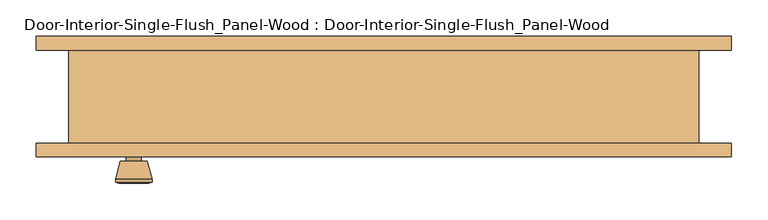
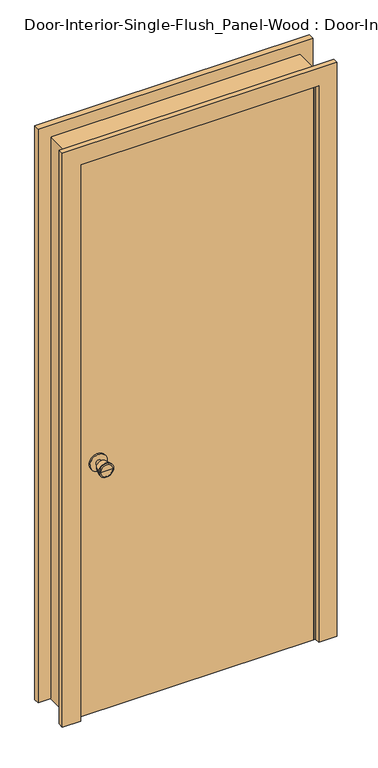
"""IFC4 building model written with IfcOpenShell, lengths in millimetres: door geometry, Door-Interior-Single-Flush_Panel-Wood : Door-Interior-Single-Flush_Panel-Wood."""

from ifc_helpers import new_model, si_unit, point, frame, frame_2d, origin, origin_with_axes, place, context, project, spatial, polyline, circle_curve, trimmed, segment, composite_curve, outline, extrude, faceted_brep, source, transform, mapped, element, save
from ifc_brep_helpers import plane_surface, cylinder_surface, revolved_surface, advanced_brep


def door_interior_single_flush_panel_wood_door_interior_single_79ccc5a2(model_context):
    return source(origin(), model_context, "Body", "SolidModel", [
        advanced_brep(
        [(-342.9, -19.4, 914.4), (-352.9, -19.4, 914.4), (-332.9, -19.4, 914.4), (-322.4241324, 29.6, 914.4), (-363.3758676, 29.6, 914.4), (-342.9, 29.6, 914.4), (-317.9, 27.7721319, 914.4), (-367.9, 27.7721319, 914.4), (-317.9, 24.3084537, 914.4), (-367.9, 24.3084537, 914.4), (-324.263764, -0.4, 914.4), (-361.536236, -0.4, 914.4), (-332.9, -0.4, 914.4), (-352.9, -0.4, 914.4)],
        [
            (0, 1),
            (1, 2, circle_curve(frame((-342.9, -19.4, 914.4), z_axis=(0.0, -1.0, 0.0), x_axis=(-1.0, 0.0, 0.0)), 10.0)),
            (2, 0),
            (2, 1, circle_curve(frame((-342.9, -19.4, 914.4), z_axis=(0.0, -1.0, 0.0), x_axis=(-1.0, 0.0, 0.0)), 10.0)),
            (3, 4, circle_curve(frame((-342.9, 29.6, 914.4), z_axis=(0.0, 1.0, 0.0), x_axis=(-1.0, 0.0, 0.0)), 20.4758676)),
            (4, 5),
            (5, 3),
            (4, 3, circle_curve(frame((-342.9, 29.6, 914.4), z_axis=(0.0, 1.0, 0.0), x_axis=(-1.0, 0.0, 0.0)), 20.4758676)),
            (6, 7, circle_curve(frame((-342.9, 27.7721319, 914.4), z_axis=(0.0, 1.0, 0.0), x_axis=(-1.0, 0.0, 0.0)), 25.0)),
            (7, 4),
            (3, 6),
            (7, 6, circle_curve(frame((-342.9, 27.7721319, 914.4), z_axis=(0.0, 1.0, 0.0), x_axis=(-1.0, 0.0, 0.0)), 25.0)),
            (8, 9, circle_curve(frame((-342.9, 24.3084537, 914.4), z_axis=(0.0, 1.0, 0.0), x_axis=(-1.0, 0.0, 0.0)), 25.0)),
            (9, 7),
            (6, 8),
            (9, 8, circle_curve(frame((-342.9, 24.3084537, 914.4), z_axis=(0.0, 1.0, 0.0), x_axis=(-1.0, 0.0, 0.0)), 25.0)),
            (10, 11, circle_curve(frame((-342.9, -0.4, 914.4), z_axis=(0.0, 1.0, 0.0), x_axis=(-1.0, 0.0, 0.0)), 18.636236)),
            (11, 9),
            (8, 10),
            (11, 10, circle_curve(frame((-342.9, -0.4, 914.4), z_axis=(0.0, 1.0, 0.0), x_axis=(-1.0, 0.0, 0.0)), 18.636236)),
            (12, 13, circle_curve(frame((-342.9, -0.4, 914.4), z_axis=(0.0, 1.0, 0.0), x_axis=(-1.0, 0.0, 0.0)), 10.0)),
            (13, 11),
            (10, 12),
            (13, 12, circle_curve(frame((-342.9, -0.4, 914.4), z_axis=(0.0, 1.0, 0.0), x_axis=(-1.0, 0.0, 0.0)), 10.0)),
            (1, 13),
            (12, 2),
        ],
        [
            plane_surface(frame((-342.9, -19.4, 914.4), z_axis=(0.0, -1.0, 0.0), x_axis=(-1.0, 0.0, 0.0))),
            plane_surface(frame((-342.9, 29.6, 914.4), z_axis=(0.0, 1.0, 0.0), x_axis=(-1.0, 0.0, 0.0))),
            revolved_surface(polyline([(-363.3758676, 29.6, 914.4), (-367.9, 27.7721319, 914.4)]), (-342.9, -19.4, 914.4), (0.0, -1.0, 0.0)),
            cylinder_surface(frame((-342.9, -19.4, 914.4), z_axis=(0.0, -1.0, 0.0), x_axis=(-1.0, 0.0, 0.0)), 25.0),
            revolved_surface(polyline([(-367.9, 24.3084537, 914.4), (-361.536236, -0.4, 914.4)]), (-342.9, -19.4, 914.4), (0.0, -1.0, 0.0)),
            plane_surface(frame((-342.9, -0.4, 914.4), z_axis=(0.0, -1.0, 0.0), x_axis=(-1.0, 0.0, 0.0))),
            cylinder_surface(frame((-342.9, -19.4, 914.4), z_axis=(0.0, -1.0, 0.0), x_axis=(-1.0, 0.0, 0.0)), 10.0),
        ],
        [
            (0, [[1, 2, 3]]),
            (0, [[-3, 4, -1]]),
            (1, [[5, 6, 7]]),
            (1, [[8, -7, -6]]),
            (2, [[9, 10, -5, 11]]),
            (2, [[12, -11, -8, -10]]),
            (3, [[13, 14, -9, 15]]),
            (3, [[16, -15, -12, -14]]),
            (4, [[17, 18, -13, 19]]),
            (4, [[20, -19, -16, -18]]),
            (5, [[21, 22, -17, 23]]),
            (5, [[24, -23, -20, -22]]),
            (6, [[-2, 25, -21, 26]]),
            (6, [[-4, -26, -24, -25]]),
        ],
    ),
        extrude(outline(composite_curve([segment(trimmed(circle_curve(frame_2d((914.4, -342.9)), 30.0), [point((914.4, -372.9))], [point((914.4, -312.9))], False, "CARTESIAN"), True, "CONTINUOUS"), segment(trimmed(circle_curve(frame_2d((914.4, -342.9)), 30.0), [point((914.4, -312.9))], [point((914.4, -372.9))], False, "CARTESIAN"), True, "CONTINUOUS")], self_intersect=False)), frame((0.0, -25.4, 0.0), z_axis=(0.0, 1.0, 0.0), x_axis=(0.0, 0.0, 1.0)), (0.0, 0.0, 1.0), 6.0),
        advanced_brep(
        [(-342.9, -66.325, 914.4), (-332.9, -66.325, 914.4), (-352.9, -66.325, 914.4), (-322.4241324, -115.325, 914.4), (-342.9, -115.325, 914.4), (-363.3758676, -115.325, 914.4), (-317.9, -113.4971319, 914.4), (-367.9, -113.4971319, 914.4), (-317.9, -110.0334537, 914.4), (-367.9, -110.0334537, 914.4), (-324.263764, -85.325, 914.4), (-361.536236, -85.325, 914.4), (-332.9, -85.325, 914.4), (-352.9, -85.325, 914.4)],
        [
            (0, 1),
            (1, 2, circle_curve(frame((-342.9, -66.325, 914.4), z_axis=(0.0, 1.0, 0.0), x_axis=(-1.0, 0.0, 0.0)), 10.0)),
            (2, 0),
            (2, 1, circle_curve(frame((-342.9, -66.325, 914.4), z_axis=(0.0, 1.0, 0.0), x_axis=(-1.0, 0.0, 0.0)), 10.0)),
            (3, 4),
            (4, 5),
            (5, 3, circle_curve(frame((-342.9, -115.325, 914.4), z_axis=(0.0, -1.0, 0.0), x_axis=(-1.0, 0.0, 0.0)), 20.4758676)),
            (3, 5, circle_curve(frame((-342.9, -115.325, 914.4), z_axis=(0.0, -1.0, 0.0), x_axis=(-1.0, 0.0, 0.0)), 20.4758676)),
            (6, 3),
            (5, 7),
            (7, 6, circle_curve(frame((-342.9, -113.4971319, 914.4), z_axis=(0.0, -1.0, 0.0), x_axis=(-1.0, 0.0, 0.0)), 25.0)),
            (6, 7, circle_curve(frame((-342.9, -113.4971319, 914.4), z_axis=(0.0, -1.0, 0.0), x_axis=(-1.0, 0.0, 0.0)), 25.0)),
            (8, 6),
            (7, 9),
            (9, 8, circle_curve(frame((-342.9, -110.0334537, 914.4), z_axis=(0.0, -1.0, 0.0), x_axis=(-1.0, 0.0, 0.0)), 25.0)),
            (8, 9, circle_curve(frame((-342.9, -110.0334537, 914.4), z_axis=(0.0, -1.0, 0.0), x_axis=(-1.0, 0.0, 0.0)), 25.0)),
            (10, 8),
            (9, 11),
            (11, 10, circle_curve(frame((-342.9, -85.325, 914.4), z_axis=(0.0, -1.0, 0.0), x_axis=(-1.0, 0.0, 0.0)), 18.636236)),
            (10, 11, circle_curve(frame((-342.9, -85.325, 914.4), z_axis=(0.0, -1.0, 0.0), x_axis=(-1.0, 0.0, 0.0)), 18.636236)),
            (12, 10),
            (11, 13),
            (13, 12, circle_curve(frame((-342.9, -85.325, 914.4), z_axis=(0.0, -1.0, 0.0), x_axis=(-1.0, 0.0, 0.0)), 10.0)),
            (12, 13, circle_curve(frame((-342.9, -85.325, 914.4), z_axis=(0.0, -1.0, 0.0), x_axis=(-1.0, 0.0, 0.0)), 10.0)),
            (1, 12),
            (13, 2),
        ],
        [
            plane_surface(frame((-342.9, -66.325, 914.4), z_axis=(0.0, 1.0, 0.0), x_axis=(-1.0, 0.0, 0.0))),
            plane_surface(frame((-342.9, -115.325, 914.4), z_axis=(0.0, -1.0, 0.0), x_axis=(-1.0, 0.0, 0.0))),
            revolved_surface(polyline([(-363.3758676, -115.325, 914.4), (-367.9, -113.4971319, 914.4)]), (-342.9, -66.325, 914.4), (0.0, 1.0, 0.0)),
            cylinder_surface(frame((-342.9, -66.325, 914.4), z_axis=(0.0, 1.0, 0.0), x_axis=(-1.0, 0.0, 0.0)), 25.0),
            revolved_surface(polyline([(-367.9, -110.0334537, 914.4), (-361.536236, -85.325, 914.4)]), (-342.9, -66.325, 914.4), (0.0, 1.0, 0.0)),
            plane_surface(frame((-342.9, -85.325, 914.4), z_axis=(0.0, 1.0, 0.0), x_axis=(-1.0, 0.0, 0.0))),
            cylinder_surface(frame((-342.9, -66.325, 914.4), z_axis=(0.0, 1.0, 0.0), x_axis=(-1.0, 0.0, 0.0)), 10.0),
        ],
        [
            (0, [[1, 2, 3]]),
            (0, [[-3, 4, -1]]),
            (1, [[5, 6, 7]]),
            (1, [[-6, -5, 8]]),
            (2, [[9, -7, 10, 11]]),
            (2, [[-10, -8, -9, 12]]),
            (3, [[13, -11, 14, 15]]),
            (3, [[-14, -12, -13, 16]]),
            (4, [[17, -15, 18, 19]]),
            (4, [[-18, -16, -17, 20]]),
            (5, [[21, -19, 22, 23]]),
            (5, [[-22, -20, -21, 24]]),
            (6, [[25, -23, 26, -2]]),
            (6, [[-26, -24, -25, -4]]),
        ],
    ),
        extrude(outline(composite_curve([segment(trimmed(circle_curve(frame_2d((914.4, -342.9)), 30.0), [point((914.4, -372.9))], [point((914.4, -312.9))], False, "CARTESIAN"), True, "CONTINUOUS"), segment(trimmed(circle_curve(frame_2d((914.4, -342.9)), 30.0), [point((914.4, -312.9))], [point((914.4, -372.9))], False, "CARTESIAN"), True, "CONTINUOUS")], self_intersect=False)), frame((0.0, -66.325, 0.0), z_axis=(0.0, 1.0, 0.0), x_axis=(0.0, 0.0, 1.0)), (0.0, 0.0, 1.0), 6.0),
        extrude(outline(polyline([(406.4, -25.4), (406.4, -60.325), (-406.4, -60.325), (-406.4, -25.4), (406.4, -25.4)])), origin_with_axes(), (0.0, 0.0, 1.0), 2032.0),
        faceted_brep([(431.8, -60.325, 0.0), (406.4, -60.325, 0.0), (406.4, -25.4, 0.0), (393.7, -25.4, 0.0), (393.7, 9.525, 0.0), (406.4, 9.525, 0.0), (406.4, 66.675, 0.0), (431.8, 66.675, 0.0), (431.8, 66.675, 2057.4), (431.8, -60.325, 2057.4), (406.4, 66.675, 2032.0), (-406.4, 66.675, 2032.0), (-406.4, 66.675, 0.0), (-431.8, 66.675, 0.0), (-431.8, 66.675, 2057.4), (406.4, 9.525, 2032.0), (393.7, 9.525, 2019.3), (-393.7, 9.525, 2019.3), (-393.7, 9.525, 0.0), (-406.4, 9.525, 0.0), (-406.4, 9.525, 2032.0), (393.7, -25.4, 2019.3), (406.4, -25.4, 2032.0), (-406.4, -25.4, 2032.0), (-406.4, -25.4, 0.0), (-393.7, -25.4, 0.0), (-393.7, -25.4, 2019.3), (406.4, -60.325, 2032.0), (-431.8, -60.325, 2057.4), (-431.8, -60.325, 0.0), (-406.4, -60.325, 0.0), (-406.4, -60.325, 2032.0)], [[[0, 1, 2, 3, 4, 5, 6, 7]], [[7, 8, 9, 0]], [[6, 10, 11, 12, 13, 14, 8, 7]], [[5, 15, 10, 6]], [[4, 16, 17, 18, 19, 20, 15, 5]], [[3, 21, 16, 4]], [[2, 22, 23, 24, 25, 26, 21, 3]], [[1, 27, 22, 2]], [[0, 9, 28, 29, 30, 31, 27, 1]], [[8, 14, 28, 9]], [[15, 20, 11, 10]], [[21, 26, 17, 16]], [[27, 31, 23, 22]], [[29, 13, 12, 19, 18, 25, 24, 30]], [[14, 13, 29, 28]], [[20, 19, 12, 11]], [[26, 25, 18, 17]], [[31, 30, 24, 23]]]),
        extrude(outline(polyline([(0.0, 476.25), (2101.85, 476.25), (2101.85, -476.25), (0.0, -476.25), (0.0, -412.75), (2038.35, -412.75), (2038.35, 412.75), (0.0, 412.75), (0.0, 476.25)])), frame((0.0, 66.675, 0.0), z_axis=(0.0, 1.0, 0.0), x_axis=(0.0, 0.0, 1.0)), (0.0, 0.0, 1.0), 19.05),
        extrude(outline(polyline([(0.0, 476.25), (2101.85, 476.25), (2101.85, -476.25), (0.0, -476.25), (0.0, -412.75), (2038.35, -412.75), (2038.35, 412.75), (0.0, 412.75), (0.0, 476.25)])), frame((0.0, -79.375, 0.0), z_axis=(0.0, 1.0, 0.0), x_axis=(0.0, 0.0, 1.0)), (0.0, 0.0, 1.0), 19.05),
    ])


if __name__ == "__main__":
    model = new_model("IFC4")
    model_context = context("Model", 3, world=origin())
    ifc_project = project(units=[si_unit("LENGTHUNIT", "METRE", prefix="MILLI")], contexts=[model_context])
    site = spatial("IfcSite", under=ifc_project)
    building = spatial("IfcBuilding", under=site)
    placement = place(None, origin())
    door_interior_single_flush_panel_wood_door_interior_single_shape = door_interior_single_flush_panel_wood_door_interior_single_79ccc5a2(model_context)
    element("IfcDoor", 1, ObjectType="Door-Interior-Single-Flush_Panel-Wood : Door-Interior-Single-Flush_Panel-Wood", at=placement, inside=building, context=model_context, shape_type="MappedRepresentation", body=[
        mapped(door_interior_single_flush_panel_wood_door_interior_single_shape, transform((0.0, 0.0, 0.0), x_axis=(1.0, 0.0, 0.0), y_axis=(0.0, 1.0, 0.0), z_axis=(0.0, 0.0, 1.0))),
    ])
    save(model, "model.ifc")
